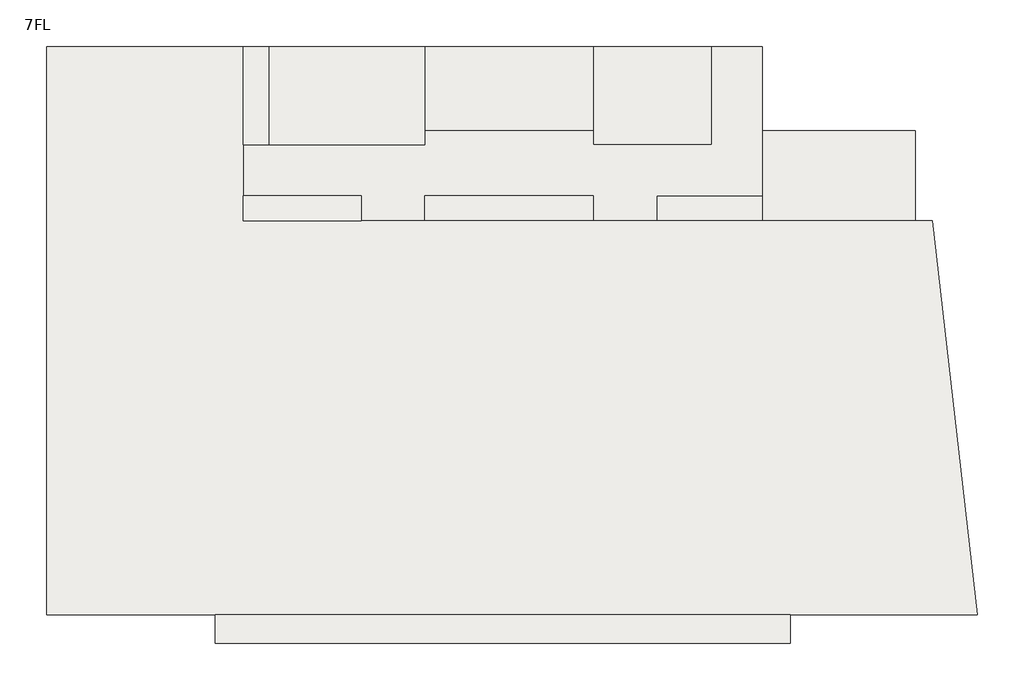
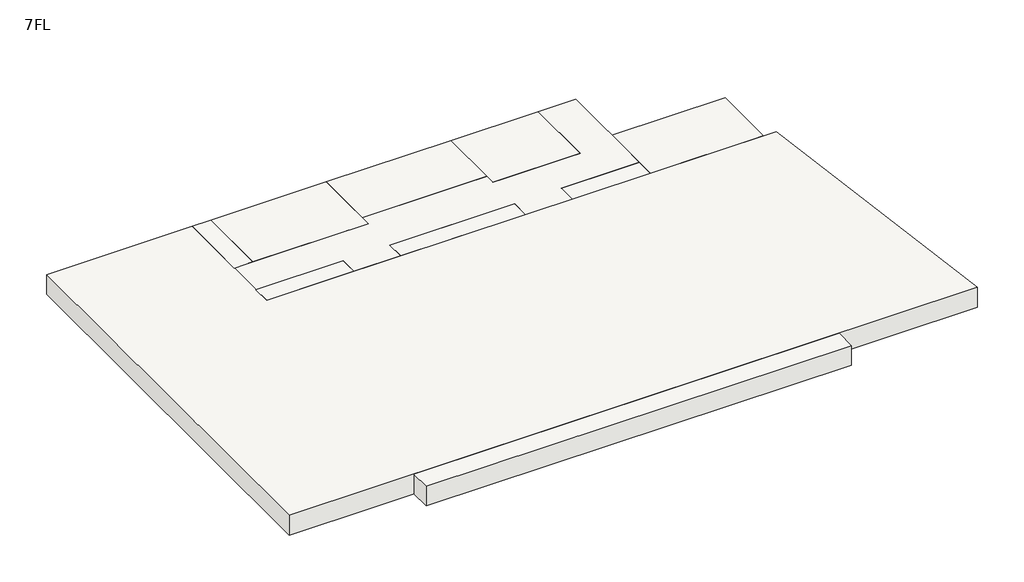
# One storey: 11 slabs.
"""IFC4 building model written with IfcOpenShell, lengths in millimetres."""

from ifc_helpers import new_model, si_unit, frame, origin, place, context, project, spatial, polyline, outline, extrude, element, save

model = new_model("IFC4")

# Units and contexts
model_context = context("Model", 3, world=origin())
ifc_project = project(units=[si_unit("LENGTHUNIT", "METRE", prefix="MILLI")], contexts=[model_context])

# Site, building, storey
site = spatial("IfcSite", under=ifc_project)
building = spatial("IfcBuilding", under=site)
storey = spatial("IfcBuildingStorey", under=building, Name="7FL", Elevation=24600.0)

# Slabs
placement = place(None, origin())
element("IfcSlab", 1, at=placement, inside=storey, context=model_context, shape_type="SweptSolid", body=[
    extrude(outline(polyline([(2054.0215975, 13649.6868987), (2054.0215975, 10449.6868987), (-3395.9784025, 10449.6868987), (-3395.9784025, 13649.6868987), (2054.0215975, 13649.6868987)])), frame((0.0, 0.0, 23600.0), z_axis=(0.0, 0.0, 1.0), x_axis=(1.0, 0.0, 0.0)), (0.0, 0.0, 1.0), 1000.0),
])
element("IfcSlab", 2, at=placement, inside=storey, context=model_context, shape_type="SweptSolid", body=[
    extrude(outline(polyline([(-3395.9784025, 11349.6868987), (-3395.9784025, 10449.6868987), (-7145.9784025, 10449.6868987), (-7145.9784025, 11349.6868987), (-3395.9784025, 11349.6868987)])), frame((0.0, 0.0, 23600.0), z_axis=(0.0, 0.0, 1.0), x_axis=(1.0, 0.0, 0.0)), (0.0, 0.0, 1.0), 1000.0),
])
element("IfcSlab", 3, at=placement, inside=storey, context=model_context, shape_type="SweptSolid", body=[
    extrude(outline(polyline([(-9395.9784025, 11349.6868987), (-9395.9784025, 10449.6868987), (-15395.9784025, 10449.6868987), (-15395.9784025, 11349.6868987), (-9395.9784025, 11349.6868987)])), frame((0.0, 0.0, 23600.0), z_axis=(0.0, 0.0, 1.0), x_axis=(1.0, 0.0, 0.0)), (0.0, 0.0, 1.0), 1000.0),
])
element("IfcSlab", 4, at=placement, inside=storey, context=model_context, shape_type="SweptSolid", body=[
    extrude(outline(polyline([(-17645.9784025, 11349.6868987), (-17645.9784025, 10449.6868987), (-21845.9784025, 10449.6868987), (-21845.9784025, 11349.6868987), (-17645.9784025, 11349.6868987)])), frame((0.0, 0.0, 23600.0), z_axis=(0.0, 0.0, 1.0), x_axis=(1.0, 0.0, 0.0)), (0.0, 0.0, 1.0), 1000.0),
])
element("IfcSlab", 5, at=placement, inside=storey, context=model_context, shape_type="SweptSolid", body=[
    extrude(outline(polyline([(-20945.9784025, 16649.6868987), (-20945.9784025, 13149.6868987), (-21845.9784025, 13149.6868987), (-21845.9784025, 16649.6868987), (-20945.9784025, 16649.6868987)])), frame((0.0, 0.0, 23600.0), z_axis=(0.0, 0.0, 1.0), x_axis=(1.0, 0.0, 0.0)), (0.0, 0.0, 1.0), 1000.0),
])
element("IfcSlab", 6, at=placement, inside=storey, context=model_context, shape_type="SweptSolid", body=[
    extrude(outline(polyline([(-9395.9784025, 16649.6868987), (-9395.9784025, 13649.6868987), (-15395.9784025, 13649.6868987), (-15395.9784025, 16649.6868987), (-9395.9784025, 16649.6868987)])), frame((0.0, 0.0, 23600.0), z_axis=(0.0, 0.0, 1.0), x_axis=(1.0, 0.0, 0.0)), (0.0, 0.0, 1.0), 1000.0),
])
element("IfcSlab", 7, at=placement, inside=storey, context=model_context, shape_type="SweptSolid", body=[
    extrude(outline(polyline([(-5195.9784025, 16649.6868987), (-5195.9784025, 13149.6868987), (-9395.9784025, 13149.6868987), (-9395.9784025, 16649.6868987), (-5195.9784025, 16649.6868987)])), frame((0.0, 0.0, 23600.0), z_axis=(0.0, 0.0, 1.0), x_axis=(1.0, 0.0, 0.0)), (0.0, 0.0, 1.0), 1000.0),
])
element("IfcSlab", 8, at=placement, inside=storey, context=model_context, shape_type="SweptSolid", body=[
    extrude(outline(polyline([(-15395.9784025, 16649.6868987), (-15395.9784025, 13149.6868987), (-20945.9784025, 13149.6868987), (-20945.9784025, 16649.6868987), (-15395.9784025, 16649.6868987)])), frame((0.0, 0.0, 23600.0), z_axis=(0.0, 0.0, 1.0), x_axis=(1.0, 0.0, 0.0)), (0.0, 0.0, 1.0), 1000.0),
])
element("IfcSlab", 9, at=placement, inside=storey, context=model_context, shape_type="SweptSolid", body=[
    extrude(outline(polyline([(-28845.9784025, -3550.3131013), (-28845.9784025, 16649.6868987), (-21845.9784025, 16649.6868987), (-21845.9784025, 10449.6868987), (2661.9595949, 10449.6868987), (4261.9595949, -3550.3131013), (-28845.9784025, -3550.3131013)])), frame((0.0, 0.0, 23600.0), z_axis=(0.0, 0.0, 1.0), x_axis=(1.0, 0.0, 0.0)), (0.0, 0.0, 1.0), 1000.0),
])
element("IfcSlab", 10, at=placement, inside=storey, context=model_context, shape_type="SweptSolid", body=[
    extrude(outline(polyline([(-15395.9784025, 13149.6868987), (-15395.9784025, 13649.6868987), (-9395.9784025, 13649.6868987), (-9395.9784025, 13149.6868987), (-5195.9784025, 13149.6868987), (-5195.9784025, 16649.6868987), (-3395.9784025, 16649.6868987), (-3395.9784025, 11349.6868987), (-7145.9784025, 11349.6868987), (-7145.9784025, 10449.6868987), (-9395.9784025, 10449.6868987), (-9395.9784025, 11349.6868987), (-15395.9784025, 11349.6868987), (-15395.9784025, 10449.6868987), (-17645.9784025, 10449.6868987), (-17645.9784025, 11349.6868987), (-21845.9784025, 11349.6868987), (-21845.9784025, 13149.6868987), (-15395.9784025, 13149.6868987)])), frame((0.0, 0.0, 23600.0), z_axis=(0.0, 0.0, 1.0), x_axis=(1.0, 0.0, 0.0)), (0.0, 0.0, 1.0), 1000.0),
])
element("IfcSlab", 11, at=placement, inside=storey, context=model_context, shape_type="SweptSolid", body=[
    extrude(outline(polyline([(-22845.9784025, -3550.3131013), (-2395.9784025, -3550.3131013), (-2395.9784025, -4573.7128476), (-22845.9784025, -4573.7128476), (-22845.9784025, -3550.3131013)])), frame((0.0, 0.0, 23600.0), z_axis=(0.0, 0.0, 1.0), x_axis=(1.0, 0.0, 0.0)), (0.0, 0.0, 1.0), 1000.0),
])

save(model, "model.ifc")
